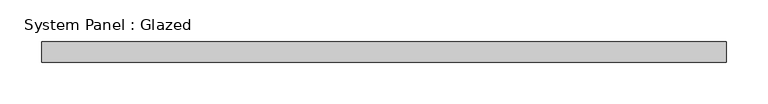
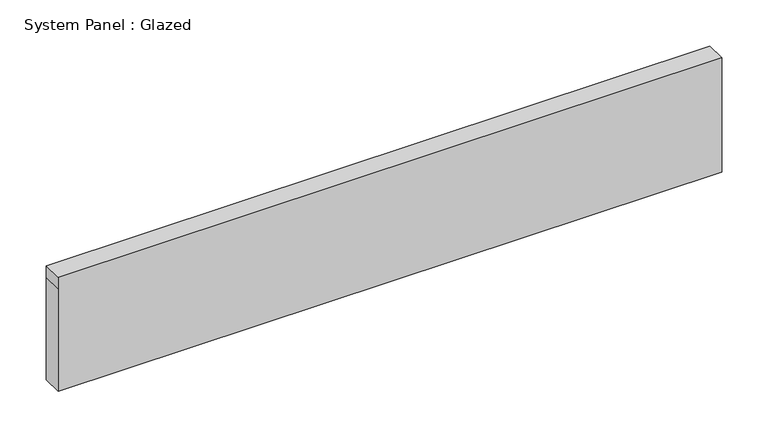
"""IFC4 building model written with IfcOpenShell, lengths in millimetres: plate geometry, System Panel : Glazed."""

import ifcopenshell
import ifcopenshell.guid

model = None  # the IFC model being written
_history = None  # IfcOwnerHistory: only IFC2X3 demands one
_inside = {}  # id of a spatial element -> (the spatial element, [elements in it])
_under = {}  # id of a project, library or spatial element -> (it, [spatial elements below it])
_declared = {}  # id of a project -> (the project, [libraries it declares])
_typed = {}  # id of a type object -> (the type object, [elements of that type])
_made_of = {}  # id of a material, layer set ... -> (it, [elements and type objects made of it])


def new_model(schema):
    """Start an empty IFC model of exactly this schema.

    Asked for "IFC4X3", IfcOpenShell would pick the latest addendum, in which some entities
    have other attributes; the version numbers below select the first issue.
    IFC2X3 requires an IfcOwnerHistory on every rooted entity: one is made here for all.
    """
    global model, _history
    if schema == "IFC4X3":
        model = ifcopenshell.file(schema_version=(4, 3, 0, 0))
    else:
        model = ifcopenshell.file(schema=schema)
    _inside.clear()
    _under.clear()
    _declared.clear()
    _typed.clear()
    _made_of.clear()
    _history = None
    if model.schema == "IFC2X3":
        org = make("IfcOrganization", Name="unknown")
        user = make(
            "IfcPersonAndOrganization",
            ThePerson=make("IfcPerson", FamilyName="unknown"),
            TheOrganization=org,
        )
        app = make(
            "IfcApplication",
            ApplicationDeveloper=org,
            Version="unknown",
            ApplicationFullName="unknown",
            ApplicationIdentifier="unknown",
        )
        _history = make(
            "IfcOwnerHistory",
            OwningUser=user,
            OwningApplication=app,
            ChangeAction="ADDED",
            CreationDate=0,
        )
    return model


def make(cls, **values):
    """One entity of the class cls with the attributes given. An attribute that is None is left unset."""
    return model.create_entity(
        cls, **{name: value for name, value in values.items() if value is not None}
    )


def rooted(cls, **values):
    """An entity with a GlobalId (a new one), such as an element, a storey or a relation."""
    return make(cls, GlobalId=ifcopenshell.guid.new(), OwnerHistory=_history, **values)


def si_unit(unit_type, name, prefix=None):
    """IfcSIUnit, for example si_unit("LENGTHUNIT", "METRE", prefix="MILLI")."""
    return make("IfcSIUnit", UnitType=unit_type, Prefix=prefix, Name=name)


def assignment(units):
    """IfcUnitAssignment: the units of a project."""
    return None if units is None else make("IfcUnitAssignment", Units=units)


def point(xyz):
    """IfcCartesianPoint."""
    return None if xyz is None else make("IfcCartesianPoint", Coordinates=xyz)


def direction(xyz):
    """IfcDirection."""
    return None if xyz is None else make("IfcDirection", DirectionRatios=xyz)


def frame(location, z_axis=None, x_axis=None):
    """IfcAxis2Placement3D, a coordinate frame: its origin and axes. An axis left out is left unset."""
    return make(
        "IfcAxis2Placement3D",
        Location=point(location),
        Axis=direction(z_axis),
        RefDirection=direction(x_axis),
    )


def origin():
    """The frame at (0, 0, 0) with its axes left unset."""
    return frame((0.0, 0.0, 0.0))


def place(relative_to, where):
    """IfcLocalPlacement: puts the frame where relative to a parent placement (None: the world)."""
    return make(
        "IfcLocalPlacement", PlacementRelTo=relative_to, RelativePlacement=where
    )


def context(
    kind, dimensions, precision=None, world=None, true_north=None, identifier=None
):
    """IfcGeometricRepresentationContext, for example the 3D "Model" context."""
    return make(
        "IfcGeometricRepresentationContext",
        ContextIdentifier=identifier,
        ContextType=kind,
        CoordinateSpaceDimension=dimensions,
        Precision=precision,
        WorldCoordinateSystem=world,
        TrueNorth=true_north,
    )


def project(units=None, contexts=None):
    """IfcProject with its units and contexts."""
    return rooted(
        "IfcProject",
        Name="project",
        RepresentationContexts=contexts,
        UnitsInContext=assignment(units),
    )


def spatial(cls, under=None, at=None, **own):
    """A site, building, storey or space (cls), placed at a placement, below another one or the project."""
    s = rooted(cls, ObjectPlacement=at, **own)
    if under is not None:
        _under.setdefault(under.id(), (under, []))[1].append(s)
    return s


def polyline(points):
    """IfcPolyline through the points."""
    return make("IfcPolyline", Points=[point(p) for p in points])


def outline(outer, holes=None, kind="AREA"):
    """IfcArbitraryClosedProfileDef: a profile drawn as a closed curve; with holes, ...WithVoids."""
    if holes is None:
        return make("IfcArbitraryClosedProfileDef", ProfileType=kind, OuterCurve=outer)
    return make(
        "IfcArbitraryProfileDefWithVoids",
        ProfileType=kind,
        OuterCurve=outer,
        InnerCurves=holes,
    )


def extrude(swept, where, along, depth):
    """IfcExtrudedAreaSolid: the profile swept, set in the frame where, extruded along a direction by depth."""
    return make(
        "IfcExtrudedAreaSolid",
        SweptArea=swept,
        Position=where,
        ExtrudedDirection=direction(along),
        Depth=depth,
    )


def shape(context_of_items, identifier, shape_type, items):
    """IfcShapeRepresentation: the items that make up one representation, for example the "Body"."""
    return make(
        "IfcShapeRepresentation",
        ContextOfItems=context_of_items,
        RepresentationIdentifier=identifier,
        RepresentationType=shape_type,
        Items=items,
    )


def source(mapping_origin, context_of_items, identifier, shape_type, items):
    """IfcRepresentationMap: a shape defined once, which mapped items show again and again."""
    return make(
        "IfcRepresentationMap",
        MappingOrigin=mapping_origin,
        MappedRepresentation=shape(context_of_items, identifier, shape_type, items),
    )


def transform(
    local_origin,
    x_axis=None,
    y_axis=None,
    z_axis=None,
    scale=None,
    scale2=None,
    scale3=None,
    uniform=True,
):
    """IfcCartesianTransformationOperator3D, or its non-uniform kind. x_axis, y_axis, z_axis: its Axis1, 2, 3."""
    if uniform:
        return make(
            "IfcCartesianTransformationOperator3D",
            Axis1=direction(x_axis),
            Axis2=direction(y_axis),
            LocalOrigin=point(local_origin),
            Scale=scale,
            Axis3=direction(z_axis),
        )
    return make(
        "IfcCartesianTransformationOperator3DnonUniform",
        Axis1=direction(x_axis),
        Axis2=direction(y_axis),
        LocalOrigin=point(local_origin),
        Scale=scale,
        Axis3=direction(z_axis),
        Scale2=scale2,
        Scale3=scale3,
    )


def mapped(mapping_source, mapping_target):
    """IfcMappedItem: shows the shape of a source again, moved by a transform."""
    return make(
        "IfcMappedItem", MappingSource=mapping_source, MappingTarget=mapping_target
    )


def made_of(thing, what):
    """Note that an element or type object is made of a material, layer set ...; save() writes the relation."""
    if what is not None:
        _made_of.setdefault(what.id(), (what, []))[1].append(thing)
    return thing


def element(
    cls,
    number,
    at=None,
    inside=None,
    cuts=None,
    type_object=None,
    material=None,
    context=None,
    identifier="Body",
    shape_type=None,
    held_by="IfcProductDefinitionShape",
    body=None,
    shapes=None,
    **own,
):
    """One element of the class cls, such as IfcWall. Its Tag is "e" and its number.

    at: its placement. inside: the storey or other place that contains it. cuts: it is an
    opening in that element (IfcRelVoidsElement). A single representation is given by context,
    identifier, shape_type and body (its items); several are given by shapes. held_by: the class
    of the entity that holds the representations. save() writes the other relations.
    """
    e = rooted(cls, Tag="e%d" % number, ObjectPlacement=at, **own)
    if body is not None:
        shapes = [shape(context, identifier, shape_type, body)]
    if shapes is not None:
        e.Representation = make(held_by, Representations=shapes)
    if inside is not None:
        _inside.setdefault(inside.id(), (inside, []))[1].append(e)
    if cuts is not None:
        rooted(
            "IfcRelVoidsElement", RelatingBuildingElement=cuts, RelatedOpeningElement=e
        )
    if type_object is not None:
        _typed.setdefault(type_object.id(), (type_object, []))[1].append(e)
    return made_of(e, material)


def aggregate(whole, parts):
    """IfcRelAggregates: a whole, such as a stair, and the parts it consists of."""
    return rooted("IfcRelAggregates", RelatingObject=whole, RelatedObjects=parts)


def save(model, path):
    """Write the relations noted so far, then the file.

    IfcRelAggregates (storeys below a building ...), IfcRelContainedInSpatialStructure (elements
    in a storey), IfcRelDefinesByType, IfcRelAssociatesMaterial and IfcRelDeclares: one each for
    every whole, place, type object, material and project.
    """
    for whole, parts in _under.values():
        aggregate(whole, parts)
    for where, things in _inside.values():
        rooted(
            "IfcRelContainedInSpatialStructure",
            RelatedElements=things,
            RelatingStructure=where,
        )
    for kind, things in _typed.values():
        rooted("IfcRelDefinesByType", RelatedObjects=things, RelatingType=kind)
    for what, things in _made_of.values():
        rooted("IfcRelAssociatesMaterial", RelatedObjects=things, RelatingMaterial=what)
    for by, libraries in _declared.values():
        rooted("IfcRelDeclares", RelatingContext=by, RelatedDefinitions=libraries)
    model.write(path)


def system_panel_glazed_c4466d0b(model_context):
    return source(origin(), model_context, "Body", "SweptSolid", [
        extrude(outline(polyline([(0.0, -412.5), (0.0, 412.5), (135.0, 412.5), (150.0, 412.5), (150.0, -412.5), (135.0, -412.5), (0.0, -412.5)])), frame((0.0, -49.5, 0.0), z_axis=(0.0, 1.0, 0.0), x_axis=(0.0, 0.0, 1.0)), (0.0, 0.0, 1.0), 25.0),
    ])


if __name__ == "__main__":
    model = new_model("IFC4")
    model_context = context("Model", 3, world=origin())
    ifc_project = project(units=[si_unit("LENGTHUNIT", "METRE", prefix="MILLI")], contexts=[model_context])
    site = spatial("IfcSite", under=ifc_project)
    building = spatial("IfcBuilding", under=site)
    placement = place(None, origin())
    system_panel_glazed_shape = system_panel_glazed_c4466d0b(model_context)
    element("IfcPlate", 1, ObjectType="System Panel : Glazed", at=placement, inside=building, context=model_context, shape_type="MappedRepresentation", body=[
        mapped(system_panel_glazed_shape, transform((0.0, 0.0, 0.0), x_axis=(1.0, 0.0, 0.0), y_axis=(0.0, 1.0, 0.0), z_axis=(0.0, 0.0, 1.0))),
    ])
    save(model, "model.ifc")
